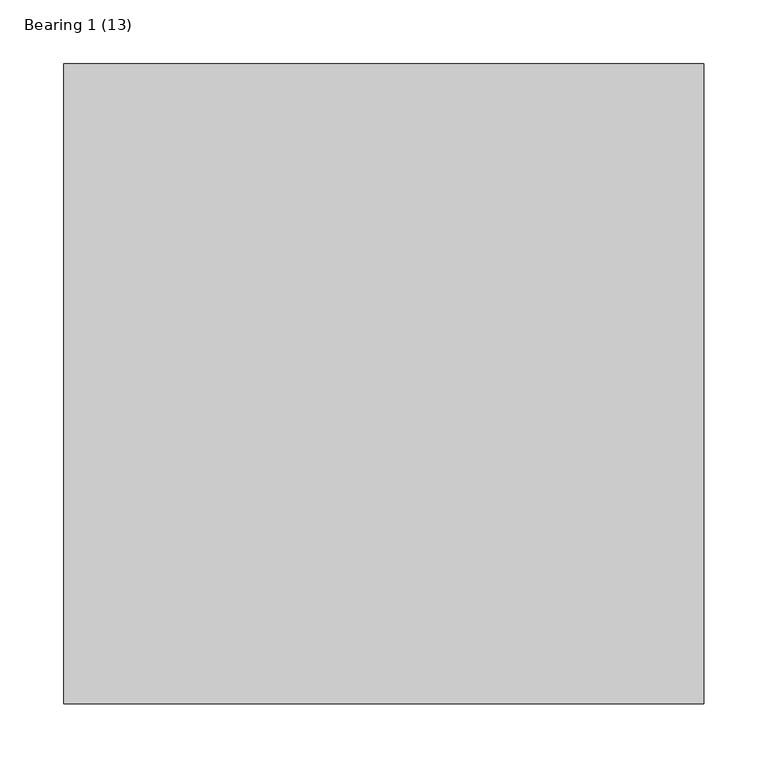
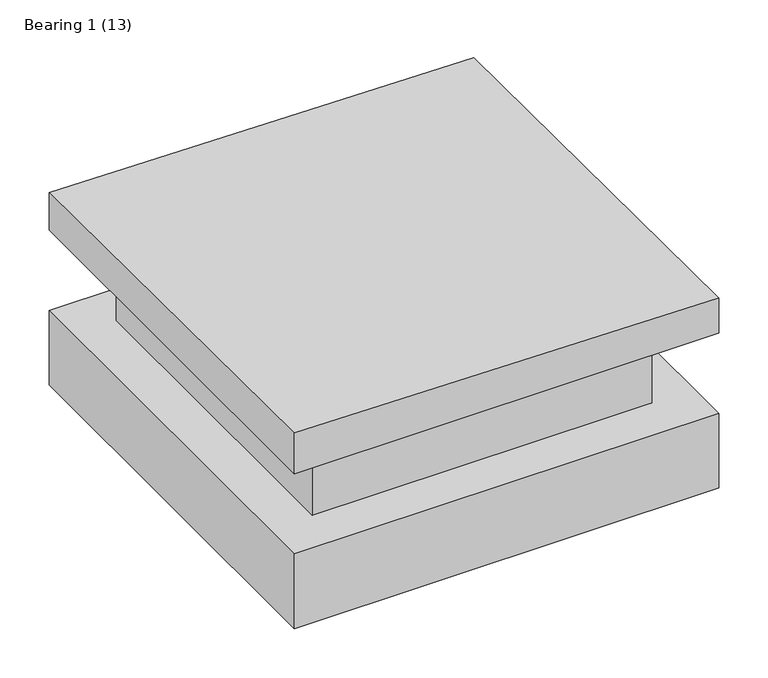
"""IFC4 building model written with IfcOpenShell, lengths in millimetres: proxy geometry, Bearing 1 (13)."""

from ifc_helpers import new_model, si_unit, frame, origin, origin_with_axes, place, context, project, spatial, polyline, outline, extrude, faceted_brep, source, transform, mapped, element, save


def bearing_1_13_a61cd5ed(model_context):
    return source(origin(), model_context, "Body", "SolidModel", [
        extrude(outline(polyline([(-250.0, 250.0), (250.0, 250.0), (250.0, -250.0), (-250.0, -250.0), (-250.0, 250.0)])), origin_with_axes(), (0.0, 0.0, 1.0), 93.0),
        faceted_brep([(-250.0, -250.0, 193.0), (250.0, -250.0, 193.0), (250.0, -250.0, 236.5868937), (-250.0, -250.0, 243.6821333), (-250.0, 250.0, 193.0), (-250.0, 250.0, 240.0950591), (250.0, 250.0, 193.0), (250.0, 250.0, 232.9998194)], [[[0, 1, 2, 3]], [[4, 0, 3, 5]], [[6, 4, 5, 7]], [[1, 6, 7, 2]], [[2, 7, 5, 3]], [[6, 1, 0, 4]]]),
        extrude(outline(polyline([(200.0, -200.0), (-200.0, -200.0), (-200.0, 200.0), (200.0, 200.0), (200.0, -200.0)])), frame((0.0, 0.0, 93.0), z_axis=(0.0, 0.0, 1.0), x_axis=(1.0, 0.0, 0.0)), (0.0, 0.0, 1.0), 100.0),
    ])


if __name__ == "__main__":
    model = new_model("IFC4")
    model_context = context("Model", 3, world=origin())
    ifc_project = project(units=[si_unit("LENGTHUNIT", "METRE", prefix="MILLI")], contexts=[model_context])
    site = spatial("IfcSite", under=ifc_project)
    building = spatial("IfcBuilding", under=site)
    placement = place(None, origin())
    bearing_1_13_shape = bearing_1_13_a61cd5ed(model_context)
    element("IfcBuildingElementProxy", 1, Name="Bearing 1 (13)", ObjectType="Bearing 1 (13)", at=placement, inside=building, context=model_context, shape_type="MappedRepresentation", body=[
        mapped(bearing_1_13_shape, transform((0.0, 0.0, 0.0), x_axis=(1.0, 0.0, 0.0), y_axis=(0.0, 1.0, 0.0), z_axis=(0.0, 0.0, 1.0))),
    ])
    save(model, "model.ifc")
